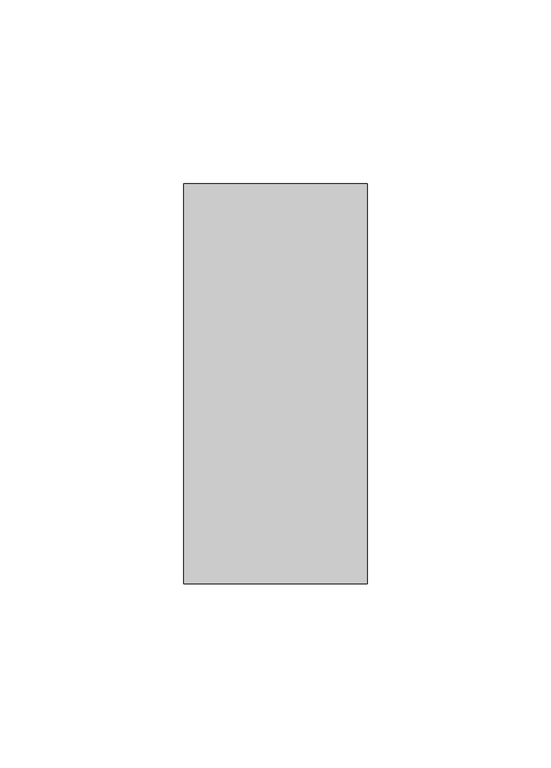
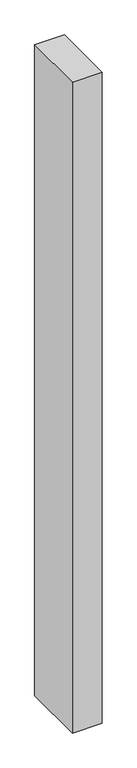
"""IFC4 building model written with IfcOpenShell, lengths in millimetres: member geometry."""

from ifc_helpers import new_model, si_unit, frame, origin, place, context, project, spatial, polyline, outline, extrude, source, transform, mapped, element, save


def member_ad3ca7c8(model_context):
    return source(origin(), model_context, "Body", "SweptSolid", [
        extrude(outline(polyline([(0.0, -18.0), (-50.0, -18.0), (-50.0, 91.0), (0.0, 91.0), (0.0, -18.0)])), frame((0.0, 0.0, -1150.0000003), z_axis=(0.0, 0.0, 1.0), x_axis=(1.0, 0.0, 0.0)), (0.0, 0.0, 1.0), 1150.0000003),
    ])


if __name__ == "__main__":
    model = new_model("IFC4")
    model_context = context("Model", 3, world=origin())
    ifc_project = project(units=[si_unit("LENGTHUNIT", "METRE", prefix="MILLI")], contexts=[model_context])
    site = spatial("IfcSite", under=ifc_project)
    building = spatial("IfcBuilding", under=site)
    placement = place(None, origin())
    member_shape = member_ad3ca7c8(model_context)
    element("IfcMember", 1, at=placement, inside=building, context=model_context, shape_type="MappedRepresentation", body=[
        mapped(member_shape, transform((0.0, 0.0, 0.0), x_axis=(1.0, 0.0, 0.0), y_axis=(0.0, 1.0, 0.0), z_axis=(0.0, 0.0, 1.0))),
    ])
    save(model, "model.ifc")
